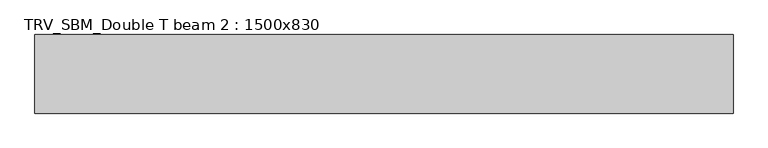
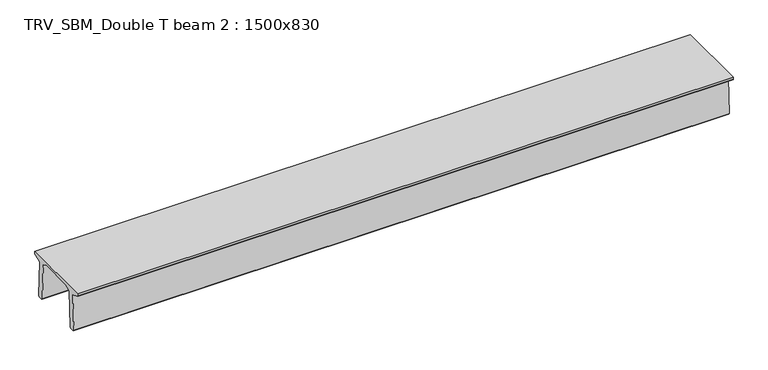
"""IFC4 building model written with IfcOpenShell, lengths in millimetres: beam geometry, TRV_SBM_Double T beam 2 : 1500x830."""

from ifc_helpers import new_model, si_unit, frame, origin, place, context, project, spatial, polyline, outline, extrude, source, transform, mapped, element, save


def trv_sbm_double_t_beam_2_1500x830_c0789e2f(model_context):
    return source(origin(), model_context, "Body", "SweptSolid", [
        extrude(outline(polyline([(337.4555014, 470.0), (-343.4555014, 470.0), (-456.5828437, 409.8491251), (-494.786332, -340.5206011), (-514.2657308, -360.0), (-604.2657308, -360.0), (-624.8277662, -339.4379646), (-586.9373878, 401.9654693), (-752.8511046, 468.9989621), (-753.0, 475.0), (-753.0, 520.0), (747.0, 520.0), (747.0, 475.0), (746.8511046, 468.9989621), (580.9373878, 401.9654693), (618.8277662, -339.4379646), (598.2657308, -360.0), (508.2657308, -360.0), (488.786332, -340.5206011), (450.5828437, 409.8491251), (337.4555014, 470.0)])), frame((-6658.0, 0.0, 0.0), z_axis=(1.0, 0.0, 0.0), x_axis=(0.0, 1.0, 0.0)), (0.0, 0.0, 1.0), 13316.0),
    ])


if __name__ == "__main__":
    model = new_model("IFC4")
    model_context = context("Model", 3, world=origin())
    ifc_project = project(units=[si_unit("LENGTHUNIT", "METRE", prefix="MILLI")], contexts=[model_context])
    site = spatial("IfcSite", under=ifc_project)
    building = spatial("IfcBuilding", under=site)
    placement = place(None, origin())
    trv_sbm_double_t_beam_2_1500x830_shape = trv_sbm_double_t_beam_2_1500x830_c0789e2f(model_context)
    element("IfcBeam", 1, ObjectType="TRV_SBM_Double T beam 2 : 1500x830", at=placement, inside=building, context=model_context, shape_type="MappedRepresentation", body=[
        mapped(trv_sbm_double_t_beam_2_1500x830_shape, transform((0.0, 0.0, 0.0), x_axis=(1.0, 0.0, 0.0), y_axis=(0.0, 1.0, 0.0), z_axis=(0.0, 0.0, 1.0))),
    ])
    save(model, "model.ifc")
